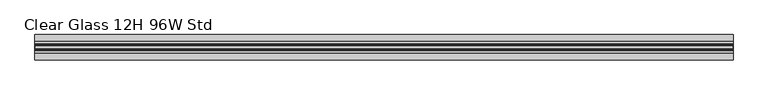
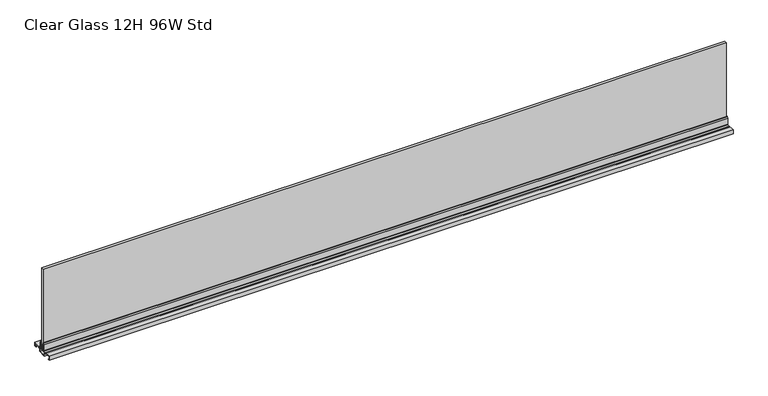
"""IFC4 building model written with IfcOpenShell, lengths in millimetres: furniture geometry, Clear Glass 12H 96W Std."""

import ifcopenshell
import ifcopenshell.guid

model = None  # the IFC model being written
_history = None  # IfcOwnerHistory: only IFC2X3 demands one
_inside = {}  # id of a spatial element -> (the spatial element, [elements in it])
_under = {}  # id of a project, library or spatial element -> (it, [spatial elements below it])
_declared = {}  # id of a project -> (the project, [libraries it declares])
_typed = {}  # id of a type object -> (the type object, [elements of that type])
_made_of = {}  # id of a material, layer set ... -> (it, [elements and type objects made of it])


def new_model(schema):
    """Start an empty IFC model of exactly this schema.

    Asked for "IFC4X3", IfcOpenShell would pick the latest addendum, in which some entities
    have other attributes; the version numbers below select the first issue.
    IFC2X3 requires an IfcOwnerHistory on every rooted entity: one is made here for all.
    """
    global model, _history
    if schema == "IFC4X3":
        model = ifcopenshell.file(schema_version=(4, 3, 0, 0))
    else:
        model = ifcopenshell.file(schema=schema)
    _inside.clear()
    _under.clear()
    _declared.clear()
    _typed.clear()
    _made_of.clear()
    _history = None
    if model.schema == "IFC2X3":
        org = make("IfcOrganization", Name="unknown")
        user = make(
            "IfcPersonAndOrganization",
            ThePerson=make("IfcPerson", FamilyName="unknown"),
            TheOrganization=org,
        )
        app = make(
            "IfcApplication",
            ApplicationDeveloper=org,
            Version="unknown",
            ApplicationFullName="unknown",
            ApplicationIdentifier="unknown",
        )
        _history = make(
            "IfcOwnerHistory",
            OwningUser=user,
            OwningApplication=app,
            ChangeAction="ADDED",
            CreationDate=0,
        )
    return model


def make(cls, **values):
    """One entity of the class cls with the attributes given. An attribute that is None is left unset."""
    return model.create_entity(
        cls, **{name: value for name, value in values.items() if value is not None}
    )


def rooted(cls, **values):
    """An entity with a GlobalId (a new one), such as an element, a storey or a relation."""
    return make(cls, GlobalId=ifcopenshell.guid.new(), OwnerHistory=_history, **values)


def si_unit(unit_type, name, prefix=None):
    """IfcSIUnit, for example si_unit("LENGTHUNIT", "METRE", prefix="MILLI")."""
    return make("IfcSIUnit", UnitType=unit_type, Prefix=prefix, Name=name)


def assignment(units):
    """IfcUnitAssignment: the units of a project."""
    return None if units is None else make("IfcUnitAssignment", Units=units)


def point(xyz):
    """IfcCartesianPoint."""
    return None if xyz is None else make("IfcCartesianPoint", Coordinates=xyz)


def direction(xyz):
    """IfcDirection."""
    return None if xyz is None else make("IfcDirection", DirectionRatios=xyz)


def frame(location, z_axis=None, x_axis=None):
    """IfcAxis2Placement3D, a coordinate frame: its origin and axes. An axis left out is left unset."""
    return make(
        "IfcAxis2Placement3D",
        Location=point(location),
        Axis=direction(z_axis),
        RefDirection=direction(x_axis),
    )


def origin():
    """The frame at (0, 0, 0) with its axes left unset."""
    return frame((0.0, 0.0, 0.0))


def place(relative_to, where):
    """IfcLocalPlacement: puts the frame where relative to a parent placement (None: the world)."""
    return make(
        "IfcLocalPlacement", PlacementRelTo=relative_to, RelativePlacement=where
    )


def context(
    kind, dimensions, precision=None, world=None, true_north=None, identifier=None
):
    """IfcGeometricRepresentationContext, for example the 3D "Model" context."""
    return make(
        "IfcGeometricRepresentationContext",
        ContextIdentifier=identifier,
        ContextType=kind,
        CoordinateSpaceDimension=dimensions,
        Precision=precision,
        WorldCoordinateSystem=world,
        TrueNorth=true_north,
    )


def project(units=None, contexts=None):
    """IfcProject with its units and contexts."""
    return rooted(
        "IfcProject",
        Name="project",
        RepresentationContexts=contexts,
        UnitsInContext=assignment(units),
    )


def spatial(cls, under=None, at=None, **own):
    """A site, building, storey or space (cls), placed at a placement, below another one or the project."""
    s = rooted(cls, ObjectPlacement=at, **own)
    if under is not None:
        _under.setdefault(under.id(), (under, []))[1].append(s)
    return s


def polyline(points):
    """IfcPolyline through the points."""
    return make("IfcPolyline", Points=[point(p) for p in points])


def outline(outer, holes=None, kind="AREA"):
    """IfcArbitraryClosedProfileDef: a profile drawn as a closed curve; with holes, ...WithVoids."""
    if holes is None:
        return make("IfcArbitraryClosedProfileDef", ProfileType=kind, OuterCurve=outer)
    return make(
        "IfcArbitraryProfileDefWithVoids",
        ProfileType=kind,
        OuterCurve=outer,
        InnerCurves=holes,
    )


def extrude(swept, where, along, depth):
    """IfcExtrudedAreaSolid: the profile swept, set in the frame where, extruded along a direction by depth."""
    return make(
        "IfcExtrudedAreaSolid",
        SweptArea=swept,
        Position=where,
        ExtrudedDirection=direction(along),
        Depth=depth,
    )


def faces_of(points, faces, orient=None, outer=None):
    """IfcFace entities. A face is a list of loops; a loop is a list of indices into points, from 0.

    orient and outer hold one flag for each loop. By default every Orientation is true, the
    first loop of a face is its IfcFaceOuterBound and the others are IfcFaceBound.
    """
    made = []
    for i, loops in enumerate(faces):
        bounds = []
        for j, loop in enumerate(loops):
            is_outer = j == 0 if outer is None else outer[i][j]
            bounds.append(
                make(
                    "IfcFaceOuterBound" if is_outer else "IfcFaceBound",
                    Bound=make("IfcPolyLoop", Polygon=[points[k] for k in loop]),
                    Orientation=True if orient is None else orient[i][j],
                )
            )
        made.append(make("IfcFace", Bounds=bounds))
    return made


def faceted_brep(points, faces, orient=None, outer=None, voids=None):
    """IfcFacetedBrep: a solid bounded by flat faces; with voids (closed shells), ...WithVoids."""
    shared = [point(p) for p in points]
    hull = make("IfcClosedShell", CfsFaces=faces_of(shared, faces, orient, outer))
    if voids is None:
        return make("IfcFacetedBrep", Outer=hull)
    return make(
        "IfcFacetedBrepWithVoids",
        Outer=hull,
        Voids=[
            make(cls, CfsFaces=faces_of(shared, fs, o, b)) for cls, fs, o, b in voids
        ],
    )


def shape(context_of_items, identifier, shape_type, items):
    """IfcShapeRepresentation: the items that make up one representation, for example the "Body"."""
    return make(
        "IfcShapeRepresentation",
        ContextOfItems=context_of_items,
        RepresentationIdentifier=identifier,
        RepresentationType=shape_type,
        Items=items,
    )


def source(mapping_origin, context_of_items, identifier, shape_type, items):
    """IfcRepresentationMap: a shape defined once, which mapped items show again and again."""
    return make(
        "IfcRepresentationMap",
        MappingOrigin=mapping_origin,
        MappedRepresentation=shape(context_of_items, identifier, shape_type, items),
    )


def transform(
    local_origin,
    x_axis=None,
    y_axis=None,
    z_axis=None,
    scale=None,
    scale2=None,
    scale3=None,
    uniform=True,
):
    """IfcCartesianTransformationOperator3D, or its non-uniform kind. x_axis, y_axis, z_axis: its Axis1, 2, 3."""
    if uniform:
        return make(
            "IfcCartesianTransformationOperator3D",
            Axis1=direction(x_axis),
            Axis2=direction(y_axis),
            LocalOrigin=point(local_origin),
            Scale=scale,
            Axis3=direction(z_axis),
        )
    return make(
        "IfcCartesianTransformationOperator3DnonUniform",
        Axis1=direction(x_axis),
        Axis2=direction(y_axis),
        LocalOrigin=point(local_origin),
        Scale=scale,
        Axis3=direction(z_axis),
        Scale2=scale2,
        Scale3=scale3,
    )


def mapped(mapping_source, mapping_target):
    """IfcMappedItem: shows the shape of a source again, moved by a transform."""
    return make(
        "IfcMappedItem", MappingSource=mapping_source, MappingTarget=mapping_target
    )


def made_of(thing, what):
    """Note that an element or type object is made of a material, layer set ...; save() writes the relation."""
    if what is not None:
        _made_of.setdefault(what.id(), (what, []))[1].append(thing)
    return thing


def element(
    cls,
    number,
    at=None,
    inside=None,
    cuts=None,
    type_object=None,
    material=None,
    context=None,
    identifier="Body",
    shape_type=None,
    held_by="IfcProductDefinitionShape",
    body=None,
    shapes=None,
    **own,
):
    """One element of the class cls, such as IfcWall. Its Tag is "e" and its number.

    at: its placement. inside: the storey or other place that contains it. cuts: it is an
    opening in that element (IfcRelVoidsElement). A single representation is given by context,
    identifier, shape_type and body (its items); several are given by shapes. held_by: the class
    of the entity that holds the representations. save() writes the other relations.
    """
    e = rooted(cls, Tag="e%d" % number, ObjectPlacement=at, **own)
    if body is not None:
        shapes = [shape(context, identifier, shape_type, body)]
    if shapes is not None:
        e.Representation = make(held_by, Representations=shapes)
    if inside is not None:
        _inside.setdefault(inside.id(), (inside, []))[1].append(e)
    if cuts is not None:
        rooted(
            "IfcRelVoidsElement", RelatingBuildingElement=cuts, RelatedOpeningElement=e
        )
    if type_object is not None:
        _typed.setdefault(type_object.id(), (type_object, []))[1].append(e)
    return made_of(e, material)


def aggregate(whole, parts):
    """IfcRelAggregates: a whole, such as a stair, and the parts it consists of."""
    return rooted("IfcRelAggregates", RelatingObject=whole, RelatedObjects=parts)


def save(model, path):
    """Write the relations noted so far, then the file.

    IfcRelAggregates (storeys below a building ...), IfcRelContainedInSpatialStructure (elements
    in a storey), IfcRelDefinesByType, IfcRelAssociatesMaterial and IfcRelDeclares: one each for
    every whole, place, type object, material and project.
    """
    for whole, parts in _under.values():
        aggregate(whole, parts)
    for where, things in _inside.values():
        rooted(
            "IfcRelContainedInSpatialStructure",
            RelatedElements=things,
            RelatingStructure=where,
        )
    for kind, things in _typed.values():
        rooted("IfcRelDefinesByType", RelatedObjects=things, RelatingType=kind)
    for what, things in _made_of.values():
        rooted("IfcRelAssociatesMaterial", RelatedObjects=things, RelatingMaterial=what)
    for by, libraries in _declared.values():
        rooted("IfcRelDeclares", RelatingContext=by, RelatedDefinitions=libraries)
    model.write(path)


def clear_glass_12h_96w_std_23503914(model_context):
    return source(origin(), model_context, "Body", "SolidModel", [
        extrude(outline(polyline([(11.0754283, 1162.3409966), (6.9341836, 1162.3409966), (6.9341836, 1163.249289), (9.9821807, 1163.249289), (11.0754283, 1162.3409966)])), frame((-1218.184, 0.0, 0.0), z_axis=(1.0, 0.0, 0.0), x_axis=(0.0, 1.0, 0.0)), (0.0, 0.0, 1.0), 2436.368),
        faceted_brep([(1218.184, -11.0849564, 1162.3409966), (1218.184, -6.9437117, 1162.3409966), (1218.184, -6.9437117, 1163.249289), (1218.184, -9.9917088, 1163.249289), (-1218.184, -6.9437117, 1163.249289), (-1218.184, -6.9437117, 1162.3409966), (-1218.184, -11.0849564, 1162.3409966), (-1218.184, -11.0849564, 1163.249289), (763.016, -11.0849564, 1163.249289), (763.016, -9.9917088, 1163.249289), (763.016, -11.0849564, 1162.3409966)], [[[0, 1, 2, 3]], [[4, 5, 6, 7]], [[4, 7, 8, 9, 3, 2]], [[7, 6, 10, 8]], [[1, 0, 10, 6, 5]], [[2, 1, 5, 4]], [[10, 9, 8]], [[9, 10, 0, 3]]]),
        extrude(outline(polyline([(8.1332156, 1190.8752075), (9.9821807, 1185.7952207), (9.9821807, 1163.249289), (6.9341836, 1163.249289), (6.9341836, 1190.8752075), (8.1332156, 1190.8752075)])), frame((-1218.184, 0.0, 0.0), z_axis=(1.0, 0.0, 0.0), x_axis=(0.0, 1.0, 0.0)), (0.0, 0.0, 1.0), 2436.368),
        extrude(outline(polyline([(-8.1427437, 1191.0622875), (-6.9437117, 1191.0622875), (-6.9437117, 1163.249289), (-9.9917088, 1163.249289), (-9.9917088, 1185.9823006), (-8.1427437, 1191.0622875)])), frame((-1218.184, 0.0, 0.0), z_axis=(1.0, 0.0, 0.0), x_axis=(0.0, 1.0, 0.0)), (0.0, 0.0, 1.0), 2436.368),
        faceted_brep([(-1218.184, 43.9832892, 1162.3409966), (-1218.184, 43.9832892, 1148.624996), (-1218.184, 39.4620892, 1148.624996), (-1218.184, 39.3699808, 1149.1383299), (-1218.184, 43.3831802, 1149.1383299), (-1218.184, 43.3831802, 1161.8329966), (-1218.184, 21.5391838, 1161.8329966), (-1218.184, 21.5391838, 1159.8009956), (-1218.184, 20.4170058, 1158.8922737), (-1218.184, 19.5603955, 1156.8742264), (-1218.184, 15.5111968, 1156.8742264), (-1218.184, 14.9424216, 1156.3054511), (-1218.184, 14.9424216, 1146.211996), (-1218.184, -14.9519497, 1146.211996), (-1218.184, -14.9519497, 1156.3054511), (-1218.184, -15.5207249, 1156.8742264), (-1218.184, -19.5699236, 1156.8742264), (-1218.184, -20.4265339, 1158.8922737), (-1218.184, -21.5487119, 1159.8009956), (-1218.184, -21.5487119, 1161.8329966), (-1218.184, -43.3927083, 1161.8329966), (-1218.184, -43.3927083, 1149.1383299), (-1218.184, -39.3795089, 1149.1383299), (-1218.184, -39.3795089, 1148.624996), (-1218.184, -43.9007083, 1148.624996), (-1218.184, -43.9007083, 1162.3409966), (-1218.184, -21.0407119, 1162.3409966), (-1218.184, -21.0407119, 1159.8009956), (-1218.184, -20.0220175, 1159.0333543), (-1218.184, -19.262709, 1157.2609957), (-1218.184, -15.1987129, 1157.2609957), (-1218.184, -14.4367091, 1156.4989965), (-1218.184, -14.4367091, 1146.719996), (-1218.184, 14.5192883, 1146.719996), (-1218.184, 14.5192883, 1156.4989965), (-1218.184, 15.2812898, 1157.2609957), (-1218.184, 19.3452882, 1157.2609957), (-1218.184, 20.1072897, 1159.0307131), (-1218.184, 21.1232888, 1159.8009956), (-1218.184, 21.1232888, 1162.3409966), (1218.184, 43.9832892, 1162.3409966), (1218.184, 21.1232888, 1162.3409966), (1218.184, 21.1232888, 1159.8009956), (1218.184, 20.1072897, 1159.0307131), (1218.184, 19.3452882, 1157.2609957), (1218.184, 15.2812898, 1157.2609957), (1218.184, 14.5192883, 1156.4989965), (1218.184, 14.5192883, 1146.719996), (1218.184, -14.4367091, 1146.719996), (1218.184, -14.4367091, 1156.4989965), (1218.184, -15.1987129, 1157.2609957), (1218.184, -19.262709, 1157.2609957), (1218.184, -20.0220175, 1159.0333543), (1218.184, -21.0407119, 1159.8009956), (1218.184, -21.0407119, 1162.3409966), (1218.184, -43.9007083, 1162.3409966), (1218.184, -43.9007083, 1148.624996), (1218.184, -39.3795089, 1148.624996), (1218.184, -39.3795089, 1149.1383299), (1218.184, -43.3927083, 1149.1383299), (1218.184, -43.3927083, 1161.8329966), (1218.184, -21.5487119, 1161.8329966), (1218.184, -21.5487119, 1159.8009956), (1218.184, -20.4265339, 1158.8922737), (1218.184, -19.5699236, 1156.8742264), (1218.184, -15.5207249, 1156.8742264), (1218.184, -14.9519497, 1156.3054511), (1218.184, -14.9519497, 1146.211996), (1218.184, 14.9424216, 1146.211996), (1218.184, 14.9424216, 1156.3054511), (1218.184, 15.5111968, 1156.8742264), (1218.184, 19.5603955, 1156.8742264), (1218.184, 20.4170058, 1158.8922737), (1218.184, 21.5391838, 1159.8009956), (1218.184, 21.5391838, 1161.8329966), (1218.184, 43.3831802, 1161.8329966), (1218.184, 43.3831802, 1149.1383299), (1218.184, 39.3699808, 1149.1383299), (1218.184, 39.3699808, 1148.624996), (1218.184, 43.9832892, 1148.624996)], [[[0, 1, 2, 3, 4, 5, 6, 7, 8, 9, 10, 11, 12, 13, 14, 15, 16, 17, 18, 19, 20, 21, 22, 23, 24, 25, 26, 27, 28, 29, 30, 31, 32, 33, 34, 35, 36, 37, 38, 39]], [[40, 41, 42, 43, 44, 45, 46, 47, 48, 49, 50, 51, 52, 53, 54, 55, 56, 57, 58, 59, 60, 61, 62, 63, 64, 65, 66, 67, 68, 69, 70, 71, 72, 73, 74, 75, 76, 77, 78, 79]], [[1, 0, 40, 79]], [[2, 1, 79, 78]], [[34, 33, 47, 46]], [[35, 34, 46, 45]], [[36, 35, 45, 44]], [[37, 36, 44, 43]], [[38, 37, 43, 42]], [[39, 38, 42, 41]], [[0, 39, 41, 40]], [[26, 25, 55, 54]], [[27, 26, 54, 53]], [[28, 27, 53, 52]], [[30, 29, 51, 50]], [[31, 30, 50, 49]], [[32, 31, 49, 48]], [[67, 13, 12, 68]], [[24, 23, 57, 56]], [[25, 24, 56, 55]], [[33, 32, 48, 47]], [[29, 28, 52, 51]], [[18, 62, 61, 19]], [[21, 59, 58, 22]], [[59, 21, 20, 60]], [[19, 61, 60, 20]], [[62, 18, 17, 63]], [[63, 17, 16, 64]], [[64, 16, 15, 65]], [[65, 15, 14, 66]], [[66, 14, 13, 67]], [[22, 58, 57, 23]], [[6, 74, 73, 7]], [[3, 77, 76, 4]], [[4, 76, 75, 5]], [[74, 6, 5, 75]], [[7, 73, 72, 8]], [[8, 72, 71, 9]], [[9, 71, 70, 10]], [[10, 70, 69, 11]], [[11, 69, 68, 12]], [[77, 3, 2, 78]]]),
        extrude(outline(polyline([(1218.184, 19.9802899), (1218.184, -19.897713), (-1218.184, -19.897713), (-1218.184, 19.9802899), (1218.184, 19.9802899)])), frame((0.0, 0.0, 1159.8009956), z_axis=(0.0, 0.0, 1.0), x_axis=(1.0, 0.0, 0.0)), (0.0, 0.0, 1.0), 2.540001),
        extrude(outline(polyline([(-6.7532119, 1162.3409966), (-6.7532119, 1189.2649959), (-4.822811, 1185.1252413), (-4.822811, 1163.1029958), (4.9053879, 1163.1029958), (4.9053879, 1185.1252413), (6.8357888, 1189.2649959), (6.8357888, 1162.3409966), (-6.7532119, 1162.3409966)])), frame((-1218.184, 0.0, 0.0), z_axis=(1.0, 0.0, 0.0), x_axis=(0.0, 1.0, 0.0)), (0.0, 0.0, 1.0), 2436.368),
        extrude(outline(polyline([(1216.787, 4.6481813), (1216.787, -4.6577093), (-1216.787, -4.6577093), (-1216.787, 4.6481813), (1216.787, 4.6481813)])), frame((0.0, 0.0, 1163.1029958), z_axis=(0.0, 0.0, 1.0), x_axis=(1.0, 0.0, 0.0)), (0.0, 0.0, 1.0), 304.0380007),
    ])


if __name__ == "__main__":
    model = new_model("IFC4")
    model_context = context("Model", 3, world=origin())
    ifc_project = project(units=[si_unit("LENGTHUNIT", "METRE", prefix="MILLI")], contexts=[model_context])
    site = spatial("IfcSite", under=ifc_project)
    building = spatial("IfcBuilding", under=site)
    placement = place(None, origin())
    clear_glass_12h_96w_std_shape = clear_glass_12h_96w_std_23503914(model_context)
    element("IfcFurniture", 1, ObjectType="Clear Glass 12H 96W Std", at=placement, inside=building, context=model_context, shape_type="MappedRepresentation", body=[
        mapped(clear_glass_12h_96w_std_shape, transform((0.0, 0.0, 0.0), x_axis=(1.0, 0.0, 0.0), y_axis=(0.0, 1.0, 0.0), z_axis=(0.0, 0.0, 1.0))),
    ])
    save(model, "model.ifc")
